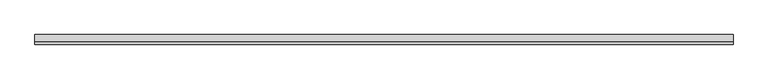
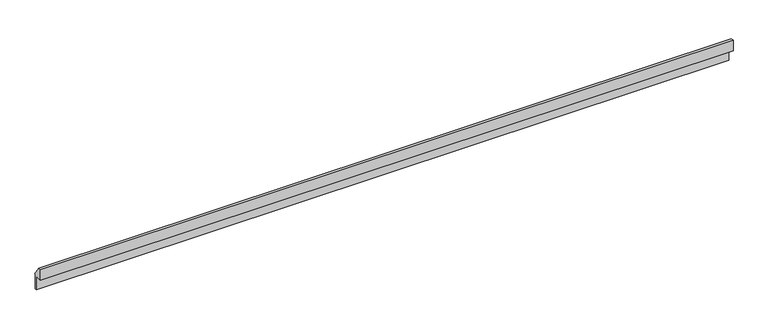
"""IFC4 building model written with IfcOpenShell, lengths in millimetres: proxy geometry."""

from ifc_helpers import new_model, si_unit, frame, origin, place, context, project, spatial, polyline, outline, extrude, source, transform, mapped, element, save


def generic_models_01c6c81b(model_context):
    return source(origin(), model_context, "Body", "SweptSolid", [
        extrude(outline(polyline([(9917.7539286, 6578.0295818), (9837.7539286, 6578.0295818), (9837.7539286, 7350.0), (9437.7539286, 7350.0), (9437.7539286, 7943.1818182), (9587.7539286, 7943.1818182), (9946.5189355, 7405.6081356), (9917.7539286, 7386.4109944), (9917.7539286, 6578.0295818)])), frame((-20866.9946036, 0.0, 0.0), z_axis=(1.0, 0.0, 0.0), x_axis=(0.0, 1.0, 0.0)), (0.0, 0.0, 1.0), 36860.0),
    ])


if __name__ == "__main__":
    model = new_model("IFC4")
    model_context = context("Model", 3, world=origin())
    ifc_project = project(units=[si_unit("LENGTHUNIT", "METRE", prefix="MILLI")], contexts=[model_context])
    site = spatial("IfcSite", under=ifc_project)
    building = spatial("IfcBuilding", under=site)
    placement = place(None, origin())
    generic_models_shape = generic_models_01c6c81b(model_context)
    element("IfcBuildingElementProxy", 1, Name="Generic Models", at=placement, inside=building, context=model_context, shape_type="MappedRepresentation", body=[
        mapped(generic_models_shape, transform((0.0, 0.0, 0.0), x_axis=(1.0, 0.0, 0.0), y_axis=(0.0, 1.0, 0.0), z_axis=(0.0, 0.0, 1.0))),
    ])
    save(model, "model.ifc")
